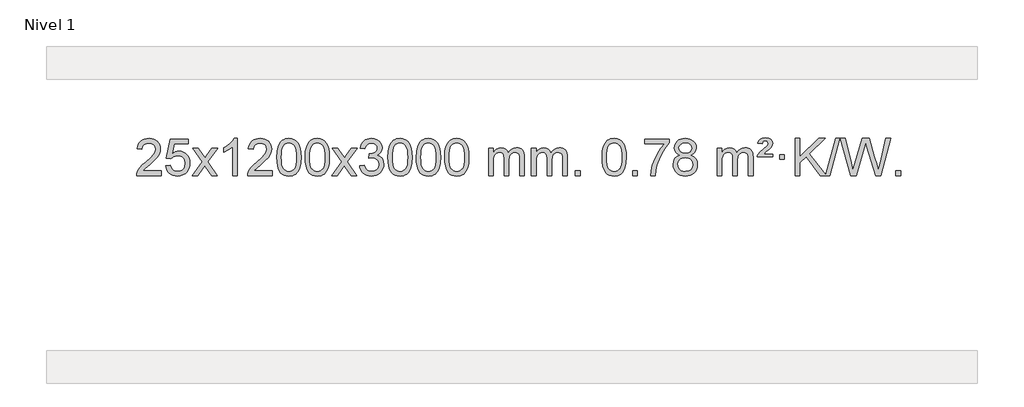
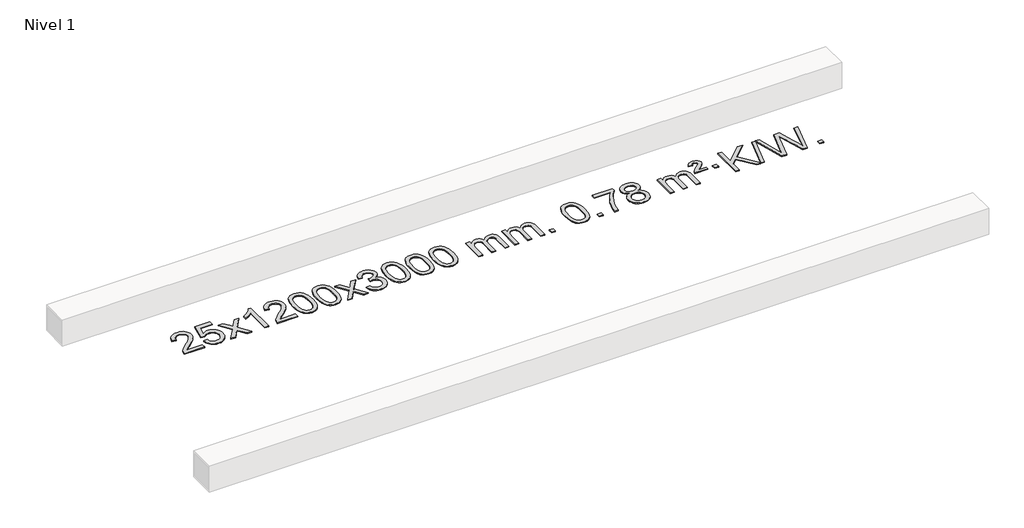
# One storey, part 8 of 8: 1 proxy.
"""IFC4 building model written with IfcOpenShell, lengths in millimetres."""

from ifc_helpers import new_model, si_unit, origin, origin_with_axes, place, context, project, spatial, polyline, outline, extrude, element, save

model = new_model("IFC4")

# Units and contexts
model_context = context("Model", 3, world=origin())
ifc_project = project(units=[si_unit("LENGTHUNIT", "METRE", prefix="MILLI")], contexts=[model_context])

# Site, building, storey
site = spatial("IfcSite", under=ifc_project)
building = spatial("IfcBuilding", under=site)
storey = spatial("IfcBuildingStorey", under=building, Name="Nivel 1", Elevation=0.0)

# Proxy
placement = place(None, origin())
element("IfcBuildingElementProxy", 1, Name="Texto de modelo 1", ObjectType="Texto de modelo 1", at=placement, inside=storey, context=model_context, shape_type="SweptSolid", body=[
    extrude(outline(polyline([(-22453.723944, 2333.9033514), (-22453.723944, 2283.6751963), (-22717.4217581, 2283.6751963), (-22716.3181122, 2301.3580575), (-22712.0261556, 2318.3051548), (-22699.640795, 2345.3690069), (-22681.5164754, 2371.6235186), (-22655.2987519, 2399.1043037), (-22618.6331797, 2429.8469757), (-22564.4318991, 2477.9904662), (-22531.9111307, 2513.5278669), (-22515.6507465, 2542.3698153), (-22510.2306185, 2570.4269488), (-22515.3441782, 2595.5778145), (-22530.6848574, 2616.4857746), (-22554.2660933, 2630.575655), (-22584.1013231, 2635.2722818), (-22615.4326064, 2630.6860196), (-22639.7741317, 2616.927233), (-22655.4826929, 2595.0750425), (-22660.9150837, 2566.2085686), (-22711.1432388, 2572.487088), (-22706.823691, 2598.4166373), (-22698.9663447, 2621.0720368), (-22687.5711999, 2640.4532866), (-22672.6382566, 2656.5603866), (-22654.5108713, 2669.2216586), (-22633.5324005, 2678.2654243), (-22609.7028443, 2683.6916838), (-22583.0222026, 2685.5004369), (-22556.1024376, 2683.4893487), (-22532.1441226, 2677.4560839), (-22511.1472578, 2667.4006427), (-22493.111843, 2653.3230251), (-22478.6264894, 2636.2655632), (-22468.2798083, 2617.2705895), (-22462.0717996, 2596.338104), (-22460.0024634, 2573.4681066), (-22462.2342808, 2549.4454124), (-22468.9297331, 2525.839651), (-22480.8123216, 2501.8292194), (-22498.6055474, 2476.5925146), (-22526.9692492, 2446.4629792), (-22570.5632657, 2407.774056), (-22628.3452644, 2359.4588873), (-22651.0067953, 2333.9033514), (-22453.723944, 2333.9033514)])), origin_with_axes(), (0.0, 0.0, 1.0), 10.0),
    extrude(outline(polyline([(-22403.4957889, 2390.4100258), (-22353.2676339, 2396.6885452), (-22344.0460585, 2366.5344844), (-22327.9573526, 2344.9398112), (-22305.0750925, 2331.9535768), (-22275.4728546, 2327.624832), (-22256.3429909, 2329.1300825), (-22239.46947, 2333.645834), (-22224.8522921, 2341.1720865), (-22212.491457, 2351.7088399), (-22202.6628764, 2364.7349283), (-22195.6424617, 2379.7291852), (-22190.0261299, 2415.6222052), (-22195.2868424, 2449.4182979), (-22201.8627331, 2463.3365), (-22211.06898, 2475.2681394), (-22222.93624, 2484.8392026), (-22237.49517, 2491.6756764), (-22274.6880397, 2497.1448554), (-22299.0540905, 2494.9620889), (-22318.7848282, 2488.4137894), (-22334.5424403, 2478.3828736), (-22346.9891145, 2465.7522585), (-22397.2172695, 2472.0307778), (-22353.2676339, 2679.2219175), (-22158.6335329, 2679.2219175), (-22158.6335329, 2628.9937624), (-22312.6534616, 2628.9937624), (-22334.1377701, 2518.3348583), (-22316.4119893, 2531.0390499), (-22298.2570128, 2540.1134724), (-22279.6728407, 2545.5581259), (-22260.6594729, 2547.3730104), (-22236.1983859, 2545.1227989), (-22213.7299931, 2538.3721643), (-22193.2542944, 2527.1211066), (-22174.7712898, 2511.3696259), (-22159.4704645, 2492.0803466), (-22148.5413035, 2470.2158933), (-22141.983807, 2445.7762661), (-22139.7979748, 2418.7614649), (-22141.7661435, 2392.7399451), (-22147.6706495, 2368.5333099), (-22157.5114929, 2346.1415591), (-22171.2886736, 2325.5646928), (-22192.1598454, 2304.4911859), (-22216.5136335, 2289.4386809), (-22244.3500378, 2280.4071779), (-22275.6690583, 2277.3966769), (-22301.5894106, 2279.3311231), (-22325.0020339, 2285.1344616), (-22345.9069283, 2294.8066923), (-22364.3040937, 2308.3478154), (-22379.6110504, 2325.0833805), (-22391.2453185, 2344.3389373), (-22399.206898, 2366.1144857), (-22403.4957889, 2390.4100258)])), origin_with_axes(), (0.0, 0.0, 1.0), 10.0),
    extrude(outline(polyline([(-22114.6838972, 2283.6751963), (-22007.3604565, 2432.0052168), (-22108.4053779, 2578.7656074), (-22047.9746288, 2578.7656074), (-21999.2180017, 2508.1322643), (-21976.4583689, 2474.7776301), (-21956.739894, 2502.0499486), (-21901.2142382, 2578.7656074), (-21840.7834891, 2578.7656074), (-21946.9297074, 2432.0052168), (-21844.7075637, 2283.6751963), (-21905.1383128, 2283.6751963), (-21966.6481824, 2372.8497919), (-21977.9298969, 2389.1347016), (-22054.2531482, 2283.6751963), (-22114.6838972, 2283.6751963)])), origin_with_axes(), (0.0, 0.0, 1.0), 10.0),
    extrude(outline(polyline([(-21624.9593853, 2283.6751963), (-21675.1875403, 2283.6751963), (-21675.1875403, 2596.8163506), (-21696.1568141, 2579.8569906), (-21722.7669451, 2562.9221561), (-21775.6438505, 2537.5628239), (-21775.6438505, 2585.0441268), (-21736.1946379, 2606.5039098), (-21702.0184005, 2632.0349203), (-21675.0771757, 2659.1846115), (-21657.3330008, 2685.5004369), (-21624.9593853, 2685.5004369), (-21624.9593853, 2283.6751963)])), origin_with_axes(), (0.0, 0.0, 1.0), 10.0),
    extrude(outline(polyline([(-21248.2482222, 2333.9033514), (-21248.2482222, 2283.6751963), (-21511.9460364, 2283.6751963), (-21510.8423904, 2301.3580575), (-21506.5504338, 2318.3051548), (-21494.1650733, 2345.3690069), (-21476.0407536, 2371.6235186), (-21449.8230301, 2399.1043037), (-21413.1574579, 2429.8469757), (-21358.9561773, 2477.9904662), (-21326.4354089, 2513.5278669), (-21310.1750247, 2542.3698153), (-21304.7548967, 2570.4269488), (-21309.8684564, 2595.5778145), (-21325.2091356, 2616.4857746), (-21348.7903715, 2630.575655), (-21378.6256013, 2635.2722818), (-21409.9568846, 2630.6860196), (-21434.2984099, 2616.927233), (-21450.0069711, 2595.0750425), (-21455.4393619, 2566.2085686), (-21505.667517, 2572.487088), (-21501.3479692, 2598.4166373), (-21493.4906229, 2621.0720368), (-21482.0954781, 2640.4532866), (-21467.1625348, 2656.5603866), (-21449.0351495, 2669.2216586), (-21428.0566787, 2678.2654243), (-21404.2271225, 2683.6916838), (-21377.5464808, 2685.5004369), (-21350.6267158, 2683.4893487), (-21326.6684008, 2677.4560839), (-21305.671536, 2667.4006427), (-21287.6361212, 2653.3230251), (-21273.1507676, 2636.2655632), (-21262.8040865, 2617.2705895), (-21256.5960778, 2596.338104), (-21254.5267416, 2573.4681066), (-21256.758559, 2549.4454124), (-21263.4540113, 2525.839651), (-21275.3365998, 2501.8292194), (-21293.1298256, 2476.5925146), (-21321.4935274, 2446.4629792), (-21365.0875439, 2407.774056), (-21422.8695426, 2359.4588873), (-21445.5310735, 2333.9033514), (-21248.2482222, 2333.9033514)])), origin_with_axes(), (0.0, 0.0, 1.0), 10.0),
    extrude(outline(polyline([(-21198.0200671, 2481.350455), (-21194.3289844, 2545.6684905), (-21183.2557364, 2596.9635034), (-21164.9106876, 2636.0203086), (-21153.0526246, 2651.2536888), (-21139.4042026, 2663.6237209), (-21123.9194363, 2673.1947842), (-21106.5523404, 2680.0312579), (-21066.1711601, 2685.5004369), (-21035.2200215, 2682.2630753), (-21007.5062446, 2672.5509907), (-20984.3296789, 2656.7443276), (-20966.9901742, 2635.2232309), (-20953.8935751, 2608.1716415), (-20943.4457265, 2575.7735005), (-20936.6031214, 2534.6320307), (-20934.322253, 2481.350455), (-20937.9765475, 2417.4003016), (-20948.9394309, 2366.227916), (-20967.1741152, 2327.1343227), (-20979.004587, 2311.8549571), (-20992.643812, 2299.4205457), (-21008.1469724, 2289.7851031), (-21025.5692505, 2282.9026441), (-21066.1711601, 2277.3966769), (-21093.8358861, 2279.7879099), (-21118.3613524, 2286.9616088), (-21139.7475591, 2298.9177736), (-21157.9945061, 2315.6564044), (-21175.505689, 2345.9146985), (-21188.0136769, 2383.6164717), (-21195.5184696, 2428.7617238), (-21198.0200671, 2481.350455)]), holes=[polyline([(-21147.7919121, 2481.4485569), (-21146.3203841, 2437.7840298), (-21141.9058001, 2402.4397671), (-21134.5481602, 2375.4157689), (-21124.2474644, 2356.7120351), (-21111.7885275, 2343.9863837), (-21097.9561644, 2334.8966328), (-21082.7503753, 2329.4427822), (-21066.1711601, 2327.624832), (-21049.5919448, 2329.4489136), (-21034.3861557, 2334.9211582), (-21020.5537927, 2344.041566), (-21008.0948558, 2356.8101369), (-20997.7941599, 2375.5445276), (-20990.43652, 2402.5623944), (-20986.021936, 2437.8637375), (-20984.5504081, 2481.4485569), (-20985.9728851, 2523.9573215), (-20990.2403163, 2558.6792504), (-20997.3527015, 2585.6143438), (-21007.3100408, 2604.7626017), (-21019.5605113, 2618.1105868), (-21033.5522898, 2627.6448618), (-21049.2853765, 2633.3654268), (-21066.7597713, 2635.2722818), (-21083.2531474, 2633.5922874), (-21098.2014191, 2628.5523041), (-21111.6045865, 2620.1523318), (-21123.4626494, 2608.3923707), (-21134.1067018, 2587.5457243), (-21141.7095964, 2559.4395399), (-21146.2713331, 2524.0738174), (-21147.7919121, 2481.4485569)])]), origin_with_axes(), (0.0, 0.0, 1.0), 10.0),
    extrude(outline(polyline([(-20890.3726173, 2481.350455), (-20886.6815346, 2545.6684905), (-20875.6082866, 2596.9635034), (-20857.2632377, 2636.0203086), (-20845.4051748, 2651.2536888), (-20831.7567527, 2663.6237209), (-20816.2719864, 2673.1947842), (-20798.9048906, 2680.0312579), (-20758.5237102, 2685.5004369), (-20727.5725717, 2682.2630753), (-20699.8587947, 2672.5509907), (-20676.682229, 2656.7443276), (-20659.3427243, 2635.2232309), (-20646.2461253, 2608.1716415), (-20635.7982766, 2575.7735005), (-20628.9556715, 2534.6320307), (-20626.6748032, 2481.350455), (-20630.3290976, 2417.4003016), (-20641.2919811, 2366.227916), (-20659.5266653, 2327.1343227), (-20671.3571372, 2311.8549571), (-20684.9963621, 2299.4205457), (-20700.4995225, 2289.7851031), (-20717.9218007, 2282.9026441), (-20758.5237102, 2277.3966769), (-20786.1884363, 2279.7879099), (-20810.7139026, 2286.9616088), (-20832.1001093, 2298.9177736), (-20850.3470562, 2315.6564044), (-20867.8582392, 2345.9146985), (-20880.366227, 2383.6164717), (-20887.8710197, 2428.7617238), (-20890.3726173, 2481.350455)]), holes=[polyline([(-20840.1444622, 2481.4485569), (-20838.6729342, 2437.7840298), (-20834.2583503, 2402.4397671), (-20826.9007104, 2375.4157689), (-20816.6000145, 2356.7120351), (-20804.1410776, 2343.9863837), (-20790.3087146, 2334.8966328), (-20775.1029255, 2329.4427822), (-20758.5237102, 2327.624832), (-20741.944495, 2329.4489136), (-20726.7387058, 2334.9211582), (-20712.9063428, 2344.041566), (-20700.4474059, 2356.8101369), (-20690.1467101, 2375.5445276), (-20682.7890702, 2402.5623944), (-20678.3744862, 2437.8637375), (-20676.9029582, 2481.4485569), (-20678.3254353, 2523.9573215), (-20682.5928664, 2558.6792504), (-20689.7052517, 2585.6143438), (-20699.662591, 2604.7626017), (-20711.9130614, 2618.1105868), (-20725.90484, 2627.6448618), (-20741.6379267, 2633.3654268), (-20759.1123214, 2635.2722818), (-20775.6056975, 2633.5922874), (-20790.5539693, 2628.5523041), (-20803.9571366, 2620.1523318), (-20815.8151996, 2608.3923707), (-20826.459252, 2587.5457243), (-20834.0621466, 2559.4395399), (-20838.6238833, 2524.0738174), (-20840.1444622, 2481.4485569)])]), origin_with_axes(), (0.0, 0.0, 1.0), 10.0),
    extrude(outline(polyline([(-20601.5607256, 2283.6751963), (-20494.2372849, 2432.0052168), (-20595.2822062, 2578.7656074), (-20534.8514572, 2578.7656074), (-20486.0948301, 2508.1322643), (-20463.3351973, 2474.7776301), (-20443.6167224, 2502.0499486), (-20388.0910666, 2578.7656074), (-20327.6603175, 2578.7656074), (-20433.8065358, 2432.0052168), (-20331.5843921, 2283.6751963), (-20392.0151412, 2283.6751963), (-20453.5250108, 2372.8497919), (-20464.8067253, 2389.1347016), (-20541.1299765, 2283.6751963), (-20601.5607256, 2283.6751963)])), origin_with_axes(), (0.0, 0.0, 1.0), 10.0),
    extrude(outline(polyline([(-20300.1917952, 2390.4100258), (-20249.9636401, 2396.6885452), (-20238.7187138, 2365.12427), (-20222.2498631, 2343.8116398), (-20199.7477478, 2331.6715339), (-20170.4030273, 2327.624832), (-20135.9692725, 2333.1921129), (-20121.6954511, 2340.1512139), (-20109.383667, 2349.8939554), (-20092.3875188, 2374.8118292), (-20086.7221361, 2405.0272038), (-20092.3384679, 2433.7097367), (-20109.1874633, 2456.9721415), (-20134.6939483, 2472.3863971), (-20166.2827489, 2477.5244823), (-20201.5013186, 2472.0307778), (-20195.9095123, 2522.2589329), (-20187.8651593, 2521.6703217), (-20157.7724121, 2525.2755653), (-20130.8679755, 2536.0912959), (-20119.7947275, 2544.270539), (-20111.8852646, 2554.3872938), (-20107.1395868, 2566.4415605), (-20105.5576943, 2580.4333391), (-20110.1439565, 2602.1261141), (-20123.9027431, 2619.7231362), (-20144.8965423, 2631.3849954), (-20171.1878422, 2635.2722818), (-20197.5281931, 2631.3482072), (-20219.0615525, 2619.5759834), (-20234.7823764, 2599.9556103), (-20243.6851207, 2572.487088), (-20293.9132758, 2578.7656074), (-20287.9597188, 2602.7453821), (-20279.1244196, 2623.86794), (-20267.407378, 2642.133281), (-20252.8085942, 2657.5414053), (-20235.7879205, 2669.7734816), (-20216.8052096, 2678.510679), (-20195.8604613, 2683.7529974), (-20172.9536758, 2685.5004369), (-20141.3771379, 2682.0546089), (-20112.3757739, 2671.7171248), (-20087.923884, 2655.4076897), (-20069.9957681, 2634.0460085), (-20058.9960964, 2609.434703), (-20055.3295392, 2583.376395), (-20058.8121554, 2559.0961834), (-20069.2600041, 2537.0723146), (-20086.5259324, 2518.3103328), (-20110.4627875, 2503.8157822), (-20079.0211397, 2491.1115907), (-20055.7219466, 2469.4801293), (-20041.3009724, 2440.0986207), (-20036.493981, 2404.144287), (-20038.8974767, 2378.6623275), (-20046.1079638, 2355.1914562), (-20058.1254423, 2333.7316731), (-20074.9499123, 2314.2829783), (-20095.4470708, 2298.1452214), (-20118.482615, 2286.6182523), (-20144.0565451, 2279.7020708), (-20172.1688608, 2277.3966769), (-20197.577244, 2279.3648456), (-20220.7292842, 2285.2693516), (-20241.6249815, 2295.110195), (-20260.264336, 2308.8873757), (-20275.8931894, 2325.7915534), (-20287.7573837, 2345.0133876), (-20295.856919, 2366.5528785), (-20300.1917952, 2390.4100258)])), origin_with_axes(), (0.0, 0.0, 1.0), 10.0),
    extrude(outline(polyline([(-19992.5443453, 2481.350455), (-19988.8532627, 2545.6684905), (-19977.7800146, 2596.9635034), (-19959.4349658, 2636.0203086), (-19947.5769028, 2651.2536888), (-19933.9284808, 2663.6237209), (-19918.4437145, 2673.1947842), (-19901.0766186, 2680.0312579), (-19860.6954383, 2685.5004369), (-19829.7442997, 2682.2630753), (-19802.0305228, 2672.5509907), (-19778.8539571, 2656.7443276), (-19761.5144524, 2635.2232309), (-19748.4178533, 2608.1716415), (-19737.9700047, 2575.7735005), (-19731.1273996, 2534.6320307), (-19728.8465312, 2481.350455), (-19732.5008257, 2417.4003016), (-19743.4637091, 2366.227916), (-19761.6983934, 2327.1343227), (-19773.5288652, 2311.8549571), (-19787.1680902, 2299.4205457), (-19802.6712506, 2289.7851031), (-19820.0935287, 2282.9026441), (-19860.6954383, 2277.3966769), (-19888.3601643, 2279.7879099), (-19912.8856306, 2286.9616088), (-19934.2718373, 2298.9177736), (-19952.5187843, 2315.6564044), (-19970.0299672, 2345.9146985), (-19982.5379551, 2383.6164717), (-19990.0427478, 2428.7617238), (-19992.5443453, 2481.350455)]), holes=[polyline([(-19942.3161903, 2481.4485569), (-19940.8446623, 2437.7840298), (-19936.4300783, 2402.4397671), (-19929.0724384, 2375.4157689), (-19918.7717426, 2356.7120351), (-19906.3128057, 2343.9863837), (-19892.4804427, 2334.8966328), (-19877.2746535, 2329.4427822), (-19860.6954383, 2327.624832), (-19844.116223, 2329.4489136), (-19828.9104339, 2334.9211582), (-19815.0780709, 2344.041566), (-19802.619134, 2356.8101369), (-19792.3184381, 2375.5445276), (-19784.9607982, 2402.5623944), (-19780.5462143, 2437.8637375), (-19779.0746863, 2481.4485569), (-19780.4971633, 2523.9573215), (-19784.7645945, 2558.6792504), (-19791.8769797, 2585.6143438), (-19801.834319, 2604.7626017), (-19814.0847895, 2618.1105868), (-19828.076568, 2627.6448618), (-19843.8096547, 2633.3654268), (-19861.2840495, 2635.2722818), (-19877.7774256, 2633.5922874), (-19892.7256973, 2628.5523041), (-19906.1288647, 2620.1523318), (-19917.9869276, 2608.3923707), (-19928.63098, 2587.5457243), (-19936.2338746, 2559.4395399), (-19940.7956114, 2524.0738174), (-19942.3161903, 2481.4485569)])]), origin_with_axes(), (0.0, 0.0, 1.0), 10.0),
    extrude(outline(polyline([(-19684.8968955, 2481.350455), (-19681.2058128, 2545.6684905), (-19670.1325648, 2596.9635034), (-19651.7875159, 2636.0203086), (-19639.929453, 2651.2536888), (-19626.2810309, 2663.6237209), (-19610.7962646, 2673.1947842), (-19593.4291688, 2680.0312579), (-19553.0479884, 2685.5004369), (-19522.0968499, 2682.2630753), (-19494.3830729, 2672.5509907), (-19471.2065072, 2656.7443276), (-19453.8670025, 2635.2232309), (-19440.7704035, 2608.1716415), (-19430.3225548, 2575.7735005), (-19423.4799497, 2534.6320307), (-19421.1990814, 2481.350455), (-19424.8533758, 2417.4003016), (-19435.8162593, 2366.227916), (-19454.0509435, 2327.1343227), (-19465.8814154, 2311.8549571), (-19479.5206403, 2299.4205457), (-19495.0238007, 2289.7851031), (-19512.4460789, 2282.9026441), (-19553.0479884, 2277.3966769), (-19580.7127145, 2279.7879099), (-19605.2381808, 2286.9616088), (-19626.6243875, 2298.9177736), (-19644.8713344, 2315.6564044), (-19662.3825174, 2345.9146985), (-19674.8905052, 2383.6164717), (-19682.3952979, 2428.7617238), (-19684.8968955, 2481.350455)]), holes=[polyline([(-19634.6687404, 2481.4485569), (-19633.1972124, 2437.7840298), (-19628.7826285, 2402.4397671), (-19621.4249886, 2375.4157689), (-19611.1242927, 2356.7120351), (-19598.6653558, 2343.9863837), (-19584.8329928, 2334.8966328), (-19569.6272037, 2329.4427822), (-19553.0479884, 2327.624832), (-19536.4687732, 2329.4489136), (-19521.2629841, 2334.9211582), (-19507.430621, 2344.041566), (-19494.9716841, 2356.8101369), (-19484.6709883, 2375.5445276), (-19477.3133484, 2402.5623944), (-19472.8987644, 2437.8637375), (-19471.4272364, 2481.4485569), (-19472.8497135, 2523.9573215), (-19477.1171446, 2558.6792504), (-19484.2295299, 2585.6143438), (-19494.1868692, 2604.7626017), (-19506.4373396, 2618.1105868), (-19520.4291182, 2627.6448618), (-19536.1622049, 2633.3654268), (-19553.6365996, 2635.2722818), (-19570.1299757, 2633.5922874), (-19585.0782475, 2628.5523041), (-19598.4814148, 2620.1523318), (-19610.3394778, 2608.3923707), (-19620.9835302, 2587.5457243), (-19628.5864248, 2559.4395399), (-19633.1481615, 2524.0738174), (-19634.6687404, 2481.4485569)])]), origin_with_axes(), (0.0, 0.0, 1.0), 10.0),
    extrude(outline(polyline([(-19377.2494457, 2481.350455), (-19373.558363, 2545.6684905), (-19362.4851149, 2596.9635034), (-19344.1400661, 2636.0203086), (-19332.2820031, 2651.2536888), (-19318.6335811, 2663.6237209), (-19303.1488148, 2673.1947842), (-19285.7817189, 2680.0312579), (-19245.4005386, 2685.5004369), (-19214.4494001, 2682.2630753), (-19186.7356231, 2672.5509907), (-19163.5590574, 2656.7443276), (-19146.2195527, 2635.2232309), (-19133.1229537, 2608.1716415), (-19122.675105, 2575.7735005), (-19115.8324999, 2534.6320307), (-19113.5516315, 2481.350455), (-19117.205926, 2417.4003016), (-19128.1688095, 2366.227916), (-19146.4034937, 2327.1343227), (-19158.2339655, 2311.8549571), (-19171.8731905, 2299.4205457), (-19187.3763509, 2289.7851031), (-19204.7986291, 2282.9026441), (-19245.4005386, 2277.3966769), (-19273.0652646, 2279.7879099), (-19297.590731, 2286.9616088), (-19318.9769376, 2298.9177736), (-19337.2238846, 2315.6564044), (-19354.7350676, 2345.9146985), (-19367.2430554, 2383.6164717), (-19374.7478481, 2428.7617238), (-19377.2494457, 2481.350455)]), holes=[polyline([(-19327.0212906, 2481.4485569), (-19325.5497626, 2437.7840298), (-19321.1351787, 2402.4397671), (-19313.7775388, 2375.4157689), (-19303.4768429, 2356.7120351), (-19291.017906, 2343.9863837), (-19277.185543, 2334.8966328), (-19261.9797538, 2329.4427822), (-19245.4005386, 2327.624832), (-19228.8213234, 2329.4489136), (-19213.6155342, 2334.9211582), (-19199.7831712, 2344.041566), (-19187.3242343, 2356.8101369), (-19177.0235384, 2375.5445276), (-19169.6658985, 2402.5623944), (-19165.2513146, 2437.8637375), (-19163.7797866, 2481.4485569), (-19165.2022637, 2523.9573215), (-19169.4696948, 2558.6792504), (-19176.58208, 2585.6143438), (-19186.5394194, 2604.7626017), (-19198.7898898, 2618.1105868), (-19212.7816684, 2627.6448618), (-19228.514755, 2633.3654268), (-19245.9891498, 2635.2722818), (-19262.4825259, 2633.5922874), (-19277.4307976, 2628.5523041), (-19290.833965, 2620.1523318), (-19302.692028, 2608.3923707), (-19313.3360804, 2587.5457243), (-19320.9389749, 2559.4395399), (-19325.5007117, 2524.0738174), (-19327.0212906, 2481.4485569)])]), origin_with_axes(), (0.0, 0.0, 1.0), 10.0),
    extrude(outline(polyline([(-18900.0819725, 2283.6751963), (-18900.0819725, 2578.7656074), (-18849.8538174, 2578.7656074), (-18849.8538174, 2530.205184), (-18834.7461301, 2552.5110956), (-18815.3219608, 2569.9854904), (-18792.2434969, 2581.2794677), (-18766.1729262, 2585.0441268), (-18738.23842, 2581.2058913), (-18715.8466693, 2569.6911848), (-18699.1203012, 2551.2602969), (-18688.1819432, 2526.6735169), (-18669.8736826, 2552.2106587), (-18648.990248, 2570.4514743), (-18625.5316395, 2581.3959636), (-18599.4978569, 2585.0441268), (-18579.3900402, 2583.5266135), (-18561.7409015, 2578.9740738), (-18546.5504408, 2571.3865077), (-18533.8186581, 2560.7639151), (-18523.7540198, 2546.9836687), (-18516.5649925, 2529.9231411), (-18512.2515761, 2509.5823325), (-18510.8137706, 2485.9612427), (-18510.8137706, 2283.6751963), (-18561.0419257, 2283.6751963), (-18561.0419257, 2464.3788323), (-18562.2068854, 2489.4315962), (-18565.7017643, 2506.3173798), (-18572.2500638, 2517.8811372), (-18582.5752852, 2526.9678224), (-18595.8558252, 2532.8539344), (-18611.2700808, 2534.8159717), (-18638.4810857, 2529.7882511), (-18660.66437, 2514.7050893), (-18669.269743, 2503.1352005), (-18675.416438, 2488.5364167), (-18680.333794, 2450.2521637), (-18680.333794, 2283.6751963), (-18730.5619491, 2283.6751963), (-18730.5619491, 2469.9706387), (-18733.4682168, 2498.3711287), (-18742.1870201, 2518.6291639), (-18757.5276993, 2530.7692697), (-18780.2995948, 2534.8159717), (-18799.6501878, 2532.1181704), (-18817.4802018, 2524.0247665), (-18832.1954816, 2510.7319637), (-18842.2018719, 2492.4359658), (-18847.940831, 2467.0521082), (-18849.8538174, 2432.4957261), (-18849.8538174, 2283.6751963), (-18900.0819725, 2283.6751963)])), origin_with_axes(), (0.0, 0.0, 1.0), 10.0),
    extrude(outline(polyline([(-18435.471538, 2283.6751963), (-18435.471538, 2578.7656074), (-18385.2433829, 2578.7656074), (-18385.2433829, 2530.205184), (-18370.1356957, 2552.5110956), (-18350.7115263, 2569.9854904), (-18327.6330625, 2581.2794677), (-18301.5624918, 2585.0441268), (-18273.6279856, 2581.2058913), (-18251.2362348, 2569.6911848), (-18234.5098668, 2551.2602969), (-18223.5715088, 2526.6735169), (-18205.2632482, 2552.2106587), (-18184.3798136, 2570.4514743), (-18160.921205, 2581.3959636), (-18134.8874225, 2585.0441268), (-18114.7796058, 2583.5266135), (-18097.1304671, 2578.9740738), (-18081.9400063, 2571.3865077), (-18069.2082236, 2560.7639151), (-18059.1435854, 2546.9836687), (-18051.954558, 2529.9231411), (-18047.6411417, 2509.5823325), (-18046.2033362, 2485.9612427), (-18046.2033362, 2283.6751963), (-18096.4314913, 2283.6751963), (-18096.4314913, 2464.3788323), (-18097.5964509, 2489.4315962), (-18101.0913299, 2506.3173798), (-18107.6396294, 2517.8811372), (-18117.9648507, 2526.9678224), (-18131.2453907, 2532.8539344), (-18146.6596463, 2534.8159717), (-18173.8706512, 2529.7882511), (-18196.0539356, 2514.7050893), (-18204.6593086, 2503.1352005), (-18210.8060036, 2488.5364167), (-18215.7233596, 2450.2521637), (-18215.7233596, 2283.6751963), (-18265.9515146, 2283.6751963), (-18265.9515146, 2469.9706387), (-18268.8577824, 2498.3711287), (-18277.5765857, 2518.6291639), (-18292.9172649, 2530.7692697), (-18315.6891604, 2534.8159717), (-18335.0397533, 2532.1181704), (-18352.8697674, 2524.0247665), (-18367.5850472, 2510.7319637), (-18377.5914374, 2492.4359658), (-18383.3303966, 2467.0521082), (-18385.2433829, 2432.4957261), (-18385.2433829, 2283.6751963), (-18435.471538, 2283.6751963)])), origin_with_axes(), (0.0, 0.0, 1.0), 10.0),
    extrude(outline(polyline([(-17958.3040648, 2283.6751963), (-17958.3040648, 2333.9033514), (-17908.0759097, 2333.9033514), (-17908.0759097, 2283.6751963), (-17958.3040648, 2283.6751963)])), origin_with_axes(), (0.0, 0.0, 1.0), 10.0),
    extrude(outline(polyline([(-17669.4921731, 2481.350455), (-17665.8010904, 2545.6684905), (-17654.7278424, 2596.9635034), (-17636.3827936, 2636.0203086), (-17624.5247306, 2651.2536888), (-17610.8763086, 2663.6237209), (-17595.3915423, 2673.1947842), (-17578.0244464, 2680.0312579), (-17537.6432661, 2685.5004369), (-17506.6921275, 2682.2630753), (-17478.9783506, 2672.5509907), (-17455.8017849, 2656.7443276), (-17438.4622802, 2635.2232309), (-17425.3656811, 2608.1716415), (-17414.9178325, 2575.7735005), (-17408.0752274, 2534.6320307), (-17405.794359, 2481.350455), (-17409.4486535, 2417.4003016), (-17420.4115369, 2366.227916), (-17438.6462212, 2327.1343227), (-17450.476693, 2311.8549571), (-17464.115918, 2299.4205457), (-17479.6190784, 2289.7851031), (-17497.0413565, 2282.9026441), (-17537.6432661, 2277.3966769), (-17565.3079921, 2279.7879099), (-17589.8334584, 2286.9616088), (-17611.2196651, 2298.9177736), (-17629.4666121, 2315.6564044), (-17646.977795, 2345.9146985), (-17659.4857829, 2383.6164717), (-17666.9905756, 2428.7617238), (-17669.4921731, 2481.350455)]), holes=[polyline([(-17619.2640181, 2481.4485569), (-17617.7924901, 2437.7840298), (-17613.3779061, 2402.4397671), (-17606.0202662, 2375.4157689), (-17595.7195704, 2356.7120351), (-17583.2606335, 2343.9863837), (-17569.4282704, 2334.8966328), (-17554.2224813, 2329.4427822), (-17537.6432661, 2327.624832), (-17521.0640508, 2329.4489136), (-17505.8582617, 2334.9211582), (-17492.0258987, 2344.041566), (-17479.5669618, 2356.8101369), (-17469.2662659, 2375.5445276), (-17461.908626, 2402.5623944), (-17457.494042, 2437.8637375), (-17456.0225141, 2481.4485569), (-17457.4449911, 2523.9573215), (-17461.7124223, 2558.6792504), (-17468.8248075, 2585.6143438), (-17478.7821468, 2604.7626017), (-17491.0326173, 2618.1105868), (-17505.0243958, 2627.6448618), (-17520.7574825, 2633.3654268), (-17538.2318772, 2635.2722818), (-17554.7252534, 2633.5922874), (-17569.6735251, 2628.5523041), (-17583.0766925, 2620.1523318), (-17594.9347554, 2608.3923707), (-17605.5788078, 2587.5457243), (-17613.1817024, 2559.4395399), (-17617.7434391, 2524.0738174), (-17619.2640181, 2481.4485569)])]), origin_with_axes(), (0.0, 0.0, 1.0), 10.0),
    extrude(outline(polyline([(-17336.7306458, 2283.6751963), (-17336.7306458, 2333.9033514), (-17286.5024907, 2333.9033514), (-17286.5024907, 2283.6751963), (-17336.7306458, 2283.6751963)])), origin_with_axes(), (0.0, 0.0, 1.0), 10.0),
    extrude(outline(polyline([(-17204.8817387, 2628.9937624), (-17204.8817387, 2679.2219175), (-16941.1839245, 2679.2219175), (-16941.1839245, 2638.6077453), (-16978.7692017, 2591.0406033), (-17015.9865969, 2530.5485405), (-17048.8139336, 2462.649787), (-17073.2290353, 2392.8625725), (-17085.1974629, 2340.6478546), (-17091.8683898, 2283.6751963), (-17142.0965448, 2283.6751963), (-17136.664154, 2335.4484558), (-17122.1328152, 2396.9828508), (-17098.8949359, 2462.2083286), (-17067.3429234, 2525.0548361), (-17030.505673, 2581.8680789), (-16991.4120796, 2628.9937624), (-17204.8817387, 2628.9937624)])), origin_with_axes(), (0.0, 0.0, 1.0), 10.0),
    extrude(outline(polyline([(-16824.0502973, 2504.9930046), (-16850.9424711, 2518.2367564), (-16869.8148175, 2536.1893978), (-16880.9616419, 2558.4830467), (-16884.6772501, 2584.7498212), (-16882.6538991, 2605.2347169), (-16876.5838462, 2624.0150928), (-16866.4670913, 2641.0909487), (-16852.3036345, 2656.4622848), (-16834.7740574, 2669.1664763), (-16814.5589418, 2678.2408989), (-16791.6582876, 2683.6855524), (-16766.0720948, 2685.5004369), (-16740.3632747, 2683.6426328), (-16717.2909423, 2678.0692206), (-16696.8550974, 2668.7802002), (-16679.0557402, 2655.7755717), (-16664.634766, 2640.1037987), (-16654.3340702, 2622.8133449), (-16648.1536527, 2603.9042104), (-16646.0935135, 2583.376395), (-16649.7600707, 2557.9557492), (-16660.7597424, 2536.042245), (-16679.2151558, 2518.1999682), (-16705.2489383, 2504.9930046), (-16674.334588, 2489.0637142), (-16651.8324726, 2465.6051057), (-16638.1104742, 2435.7453504), (-16633.5364747, 2400.6126198), (-16635.8050803, 2375.559856), (-16642.6108973, 2352.5917567), (-16653.9539254, 2331.7083221), (-16669.8341649, 2312.9095522), (-16689.4177498, 2297.3726693), (-16711.8708142, 2286.2748957), (-16737.1933582, 2279.6162316), (-16765.3853818, 2277.3966769), (-16793.5774053, 2279.6254287), (-16818.8999493, 2286.3116839), (-16841.3530138, 2297.4554427), (-16860.9365987, 2313.056705), (-16876.8168381, 2331.9872993), (-16888.1598663, 2353.1190543), (-16894.9656832, 2376.4519698), (-16897.2342889, 2401.986046), (-16892.4763484, 2438.4799399), (-16878.202527, 2468.4991107), (-16855.1485886, 2491.0134888), (-16824.0502973, 2504.9930046)]), holes=[polyline([(-16847.0061338, 2403.7518795), (-16844.9092064, 2384.5361766), (-16838.6184243, 2365.9336104), (-16827.005616, 2349.7100144), (-16808.94261, 2337.6312223), (-16787.3111487, 2330.1264296), (-16764.9929743, 2327.624832), (-16730.8044742, 2332.8855445), (-16716.9107976, 2339.4614352), (-16705.1508364, 2348.6676821), (-16689.1111814, 2372.5677491), (-16683.7646298, 2402.1822497), (-16689.2828597, 2432.2995224), (-16705.8375495, 2456.7268868), (-16717.9163417, 2466.1691914), (-16732.0797985, 2472.9136946), (-16766.660706, 2478.3092972), (-16800.3709595, 2472.987271), (-16814.1082864, 2466.3347383), (-16825.7670799, 2457.0211924), (-16841.6963703, 2433.0598118), (-16847.0061338, 2403.7518795)]), polyline([(-16834.449095, 2583.2782932), (-16829.9977229, 2561.3525263), (-16816.6436064, 2543.8413433), (-16794.7791532, 2532.363425), (-16764.7967706, 2528.5374523), (-16735.5133638, 2532.3388996), (-16713.9800043, 2543.7432414), (-16700.7362525, 2560.6658132), (-16696.3216686, 2581.0219503), (-16700.8834053, 2602.1506395), (-16714.5686155, 2619.6250343), (-16736.3962806, 2631.3604699), (-16765.3853818, 2635.2722818), (-16794.558424, 2631.4463091), (-16816.3493008, 2619.9683908), (-16829.9241465, 2603.1439209), (-16834.449095, 2583.2782932)])]), origin_with_axes(), (0.0, 0.0, 1.0), 10.0),
    extrude(outline(polyline([(-16420.0668156, 2283.6751963), (-16420.0668156, 2578.7656074), (-16369.8386606, 2578.7656074), (-16369.8386606, 2530.205184), (-16354.7309733, 2552.5110956), (-16335.306804, 2569.9854904), (-16312.2283401, 2581.2794677), (-16286.1577694, 2585.0441268), (-16258.2232632, 2581.2058913), (-16235.8315125, 2569.6911848), (-16219.1051444, 2551.2602969), (-16208.1667864, 2526.6735169), (-16189.8585258, 2552.2106587), (-16168.9750912, 2570.4514743), (-16145.5164826, 2581.3959636), (-16119.4827001, 2585.0441268), (-16099.3748834, 2583.5266135), (-16081.7257447, 2578.9740738), (-16066.535284, 2571.3865077), (-16053.8035012, 2560.7639151), (-16043.738863, 2546.9836687), (-16036.5498357, 2529.9231411), (-16032.2364193, 2509.5823325), (-16030.7986138, 2485.9612427), (-16030.7986138, 2283.6751963), (-16081.0267689, 2283.6751963), (-16081.0267689, 2464.3788323), (-16082.1917285, 2489.4315962), (-16085.6866075, 2506.3173798), (-16092.234907, 2517.8811372), (-16102.5601283, 2526.9678224), (-16115.8406684, 2532.8539344), (-16131.254924, 2534.8159717), (-16158.4659289, 2529.7882511), (-16180.6492132, 2514.7050893), (-16189.2545862, 2503.1352005), (-16195.4012812, 2488.5364167), (-16200.3186372, 2450.2521637), (-16200.3186372, 2283.6751963), (-16250.5467923, 2283.6751963), (-16250.5467923, 2469.9706387), (-16253.45306, 2498.3711287), (-16262.1718633, 2518.6291639), (-16277.5125425, 2530.7692697), (-16300.284438, 2534.8159717), (-16319.635031, 2532.1181704), (-16337.465045, 2524.0247665), (-16352.1803248, 2510.7319637), (-16362.1867151, 2492.4359658), (-16367.9256742, 2467.0521082), (-16369.8386606, 2432.4957261), (-16369.8386606, 2283.6751963), (-16420.0668156, 2283.6751963)])), origin_with_axes(), (0.0, 0.0, 1.0), 10.0),
    extrude(outline(polyline([(-15986.8489781, 2484.5878166), (-15983.0230054, 2500.4067424), (-15974.6843468, 2516.2747191), (-15953.1755128, 2541.4133221), (-15921.2188302, 2569.1516246), (-15877.0729908, 2606.5284353), (-15869.9360801, 2618.0554045), (-15867.5571098, 2629.8766792), (-15869.4455707, 2641.9677341), (-15875.1109535, 2651.7533952), (-15884.4796816, 2658.2281183), (-15897.4781788, 2660.3863594), (-15909.9125902, 2658.7676786), (-15918.7662835, 2653.9116363), (-15925.1919557, 2644.4448062), (-15930.3423037, 2628.9937624), (-15980.5704587, 2635.2722818), (-15969.7302026, 2660.4844612), (-15953.1019364, 2678.0446951), (-15929.3367595, 2688.345391), (-15897.0857713, 2691.7789563), (-15861.3031159, 2687.6464152), (-15836.5569204, 2675.248792), (-15822.1359461, 2656.9160059), (-15817.3289547, 2634.9779762), (-15821.4247076, 2612.0711907), (-15833.7119663, 2590.4397294), (-15854.2397816, 2570.6231525), (-15890.70915, 2542.566019), (-15916.3137369, 2515.9804135), (-15817.3289547, 2515.9804135), (-15817.3289547, 2484.5878166), (-15986.8489781, 2484.5878166)])), origin_with_axes(), (0.0, 0.0, 1.0), 10.0),
    extrude(outline(polyline([(-15741.9867221, 2459.4737391), (-15741.9867221, 2509.7018941), (-15691.7585671, 2509.7018941), (-15691.7585671, 2459.4737391), (-15741.9867221, 2459.4737391)])), origin_with_axes(), (0.0, 0.0, 1.0), 10.0),
    extrude(outline(polyline([(-15301.1169391, 2283.6751963), (-15454.5482566, 2486.3536502), (-15522.2385437, 2421.8026228), (-15522.2385437, 2283.6751963), (-15572.4666988, 2283.6751963), (-15572.4666988, 2685.5004369), (-15522.2385437, 2685.5004369), (-15522.2385437, 2488.8061968), (-15316.2246264, 2685.5004369), (-15245.9836908, 2685.5004369), (-15418.9372794, 2520.2968956), (-15244.2836696, 2289.7197161), (-15132.9703419, 2685.5004369), (-15087.64728, 2685.5004369), (-15200.660629, 2283.6751963), (-15239.7051714, 2283.6751963), (-15245.9836908, 2283.6751963), (-15301.1169391, 2283.6751963)])), origin_with_axes(), (0.0, 0.0, 1.0), 10.0),
    extrude(outline(polyline([(-14973.1624031, 2283.6751963), (-15082.7421868, 2685.5004369), (-15030.9444019, 2685.5004369), (-14967.3743931, 2421.4102153), (-14947.75402, 2339.8875652), (-14926.7602208, 2411.9924362), (-14847.1015061, 2685.5004369), (-14772.4459866, 2685.5004369), (-14714.565886, 2487.236567), (-14689.7706395, 2413.6601679), (-14671.4991671, 2339.8875652), (-14652.4674052, 2419.0557705), (-14588.3087853, 2685.5004369), (-14536.5110003, 2685.5004369), (-14646.1888858, 2283.6751963), (-14699.8506062, 2283.6751963), (-14796.186638, 2593.6770909), (-14809.6265936, 2636.9400135), (-14824.7342808, 2584.847923), (-14912.5354503, 2283.6751963), (-14973.1624031, 2283.6751963)])), origin_with_axes(), (0.0, 0.0, 1.0), 10.0),
    extrude(outline(polyline([(-14480.0043259, 2283.6751963), (-14480.0043259, 2333.9033514), (-14429.7761708, 2333.9033514), (-14429.7761708, 2283.6751963), (-14480.0043259, 2283.6751963)])), origin_with_axes(), (0.0, 0.0, 1.0), 10.0),
])

save(model, "model.ifc")
